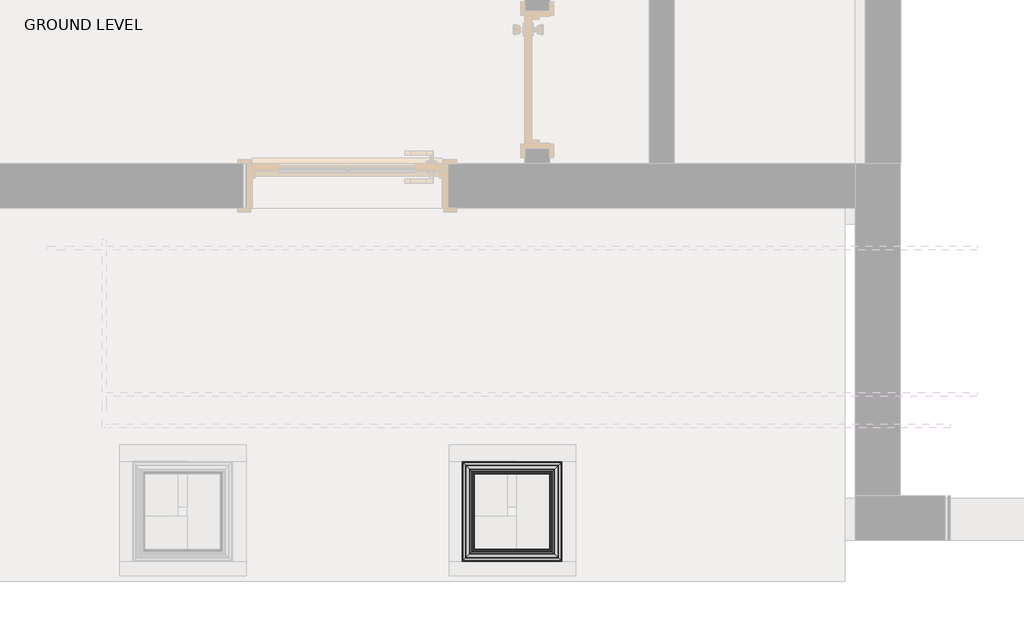
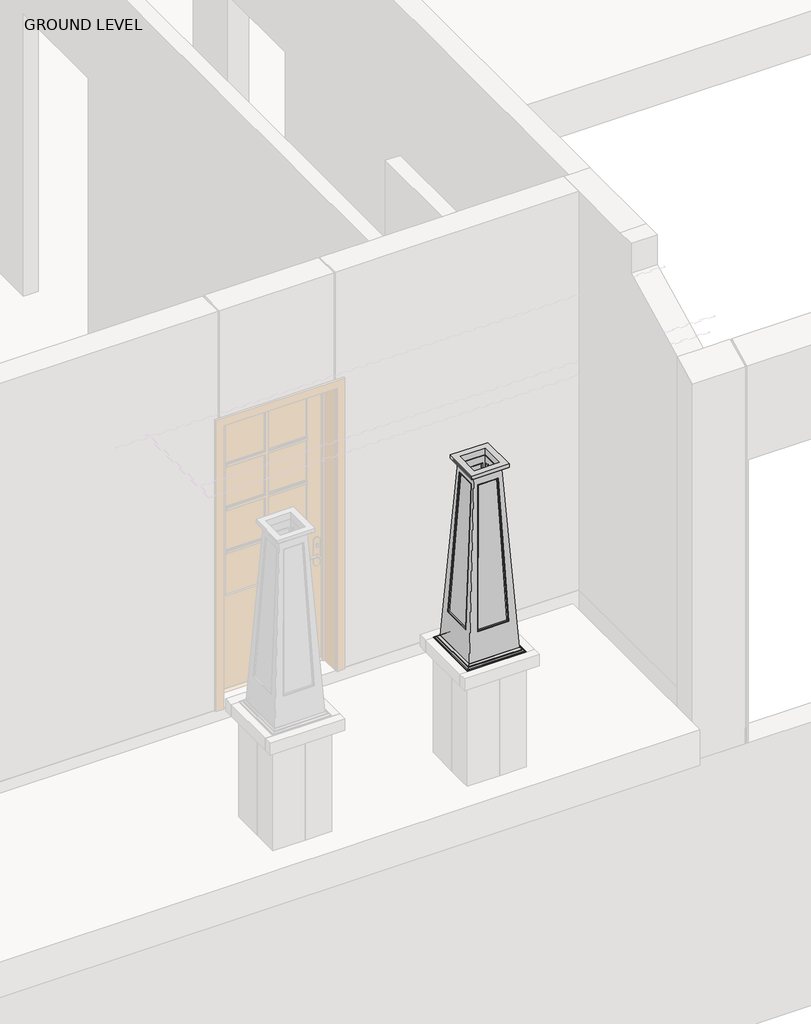
# One storey, part 6 of 7: 1 column.
"""IFC4 building model written with IfcOpenShell, lengths in millimetres."""

from ifc_helpers import new_model, si_unit, frame, origin, place, context, project, spatial, polyline, ellipse_curve, faceted_brep, element, save
from ifc_brep_helpers import plane_surface, cylinder_surface, revolved_surface, advanced_brep

model = new_model("IFC4")

# Units and contexts
model_context = context("Model", 3, world=origin())
ifc_project = project(units=[si_unit("LENGTHUNIT", "METRE", prefix="MILLI")], contexts=[model_context])

# Site, building, storey
site = spatial("IfcSite", under=ifc_project)
building = spatial("IfcBuilding", under=site)
storey = spatial("IfcBuildingStorey", under=building, Name="GROUND LEVEL", Elevation=0.0)

# Column
placement = place(None, origin())
element("IfcColumn", 1, at=placement, inside=storey, context=model_context, shape_type="SolidModel", body=[
    advanced_brep(
    [(4760.3397599, -6584.8408634, 994.2259064), (4279.3272599, -6584.8408634, 994.2259064), (4279.3272599, -6584.8408634, 990.6), (4542.8522599, -6584.8408634, 990.6), (4760.3397599, -6584.8408634, 990.6), (4755.5021304, -6580.0032339, 999.3180729), (4284.1648894, -6580.0032339, 999.3180729), (4284.1648894, -6580.0032339, 994.2259064), (4755.5021304, -6580.0032339, 994.2259064), (4744.8083993, -6569.3095028, 1007.7203226), (4294.8586205, -6569.3095028, 1007.7203226), (4739.716168, -6564.2172714, 1010.55953), (4299.9508518, -6564.2172714, 1010.55953), (4299.9508518, -6564.2172714, 1007.7203226), (4739.716168, -6564.2172714, 1007.7203226), (4726.7309231, -6551.2320265, 1020.960137), (4312.9360968, -6551.2320265, 1020.960137), (4279.3272599, -6103.8283634, 994.2259064), (4279.3272599, -6103.8283634, 990.6), (4279.3272599, -6367.3533634, 990.6), (4284.1648894, -6108.6659928, 999.3180729), (4284.1648894, -6108.6659928, 994.2259064), (4294.8586205, -6119.359724, 1007.7203226), (4299.9508518, -6124.4519553, 1010.55953), (4299.9508518, -6124.4519553, 1007.7203226), (4312.9360968, -6137.4372002, 1020.960137), (4760.3397599, -6103.8283634, 994.2259064), (4760.3397599, -6103.8283634, 990.6), (4542.8522599, -6103.8283634, 990.6), (4496.8147599, -6103.8283634, 990.6), (4755.5021304, -6108.6659928, 999.3180729), (4755.5021304, -6108.6659928, 994.2259064), (4744.8083993, -6119.359724, 1007.7203226), (4739.716168, -6124.4519553, 1010.55953), (4739.716168, -6124.4519553, 1007.7203226), (4726.7309231, -6137.4372002, 1020.960137), (4329.3335099, -6534.8346134, 1020.960137), (4710.3335099, -6534.8346134, 1020.960137), (4710.3335099, -6534.8346134, 990.6), (4542.8522599, -6534.8346134, 990.6), (4329.3335099, -6534.8346134, 990.6), (4329.3335099, -6153.8346134, 1020.960137), (4329.3335099, -6367.3533634, 990.6), (4329.3335099, -6153.8346134, 990.6), (4710.3335099, -6153.8346134, 1020.960137), (4496.8147599, -6153.8346134, 990.6), (4542.8522599, -6153.8346134, 990.6), (4710.3335099, -6153.8346134, 990.6)],
    [
        (0, 1),
        (1, 2),
        (2, 3),
        (3, 4),
        (4, 0),
        (5, 6),
        (6, 7),
        (7, 8),
        (8, 5),
        (5, 9, ellipse_curve(frame((4756.351447, -6580.8525504, 1011.4052173), z_axis=(0.7071067811865475, 0.7071067811865475, 0.0), x_axis=(-0.7071067811865476, 0.7071067811865474, 0.0)), 17.1359504, 12.1169467)),
        (9, 10),
        (10, 6, ellipse_curve(frame((4283.3155729, -6580.8525504, 1011.4052173), z_axis=(-0.7071067811865475, 0.7071067811865475, 0.0), x_axis=(-0.7071067811865476, -0.7071067811865474, 0.0)), 17.1359504, 12.1169467)),
        (11, 12),
        (12, 13),
        (13, 14),
        (14, 11),
        (11, 15, ellipse_curve(frame((4721.5591395, -6546.060243, 1001.196725), z_axis=(-0.7071067811865475, -0.7071067811865475, 0.0), x_axis=(0.7071067811865476, -0.7071067811865474, 0.0)), 28.8908221, 20.4288962)),
        (15, 16),
        (16, 12, ellipse_curve(frame((4318.1078803, -6546.060243, 1001.196725), z_axis=(0.7071067811865475, -0.7071067811865475, 0.0), x_axis=(0.7071067811865476, 0.7071067811865474, 0.0)), 28.8908221, 20.4288962)),
        (1, 17),
        (17, 18),
        (18, 19),
        (19, 2),
        (6, 20),
        (20, 21),
        (21, 7),
        (10, 22),
        (22, 20, ellipse_curve(frame((4283.3155729, -6107.8166763, 1011.4052173), z_axis=(0.7071067811865475, 0.7071067811865475, 0.0), x_axis=(-0.7071067811865474, 0.7071067811865476, 0.0)), 17.1359504, 12.1169467)),
        (12, 23),
        (23, 24),
        (24, 13),
        (16, 25),
        (25, 23, ellipse_curve(frame((4318.1078803, -6142.6089838, 1001.196725), z_axis=(-0.7071067811865475, -0.7071067811865475, 0.0), x_axis=(0.7071067811865474, -0.7071067811865476, 0.0)), 28.8908221, 20.4288962)),
        (17, 26),
        (26, 27),
        (27, 28),
        (28, 29),
        (29, 18),
        (20, 30),
        (30, 31),
        (31, 21),
        (22, 32),
        (32, 30, ellipse_curve(frame((4756.351447, -6107.8166763, 1011.4052173), z_axis=(0.7071067811865475, -0.7071067811865475, 0.0), x_axis=(0.7071067811865476, 0.7071067811865474, 0.0)), 17.1359504, 12.1169467)),
        (23, 33),
        (33, 34),
        (34, 24),
        (25, 35),
        (35, 33, ellipse_curve(frame((4721.5591395, -6142.6089838, 1001.196725), z_axis=(-0.7071067811865475, 0.7071067811865475, 0.0), x_axis=(-0.7071067811865476, -0.7071067811865474, 0.0)), 28.8908221, 20.4288962)),
        (26, 0),
        (4, 27),
        (31, 8),
        (30, 5),
        (32, 9),
        (34, 14),
        (33, 11),
        (35, 15),
        (36, 37),
        (37, 38),
        (38, 39),
        (39, 40),
        (40, 36),
        (41, 36),
        (40, 42),
        (42, 43),
        (43, 41),
        (44, 41),
        (43, 45),
        (45, 46),
        (46, 47),
        (47, 44),
        (44, 37),
        (47, 38),
        (3, 39),
        (46, 28),
        (19, 42),
        (29, 45),
    ],
    [
        plane_surface(frame((4760.3397599, -6584.8408634, 965.2), z_axis=(0.0, -1.0, 0.0), x_axis=(-1.0, 0.0, 0.0))),
        plane_surface(frame((4755.5021304, -6580.0032339, 994.2259064), z_axis=(0.0, -1.0, 0.0), x_axis=(-1.0, 0.0, 0.0))),
        revolved_surface(polyline([(4271.198626170084, -6568.7356037, 1011.4052173), (4768.468393729916, -6568.7356037, 1011.4052173)]), (4726.7309231, -6580.8525504, 1011.4052173), (-1.0, 0.0, 0.0)),
        plane_surface(frame((4739.716168, -6564.2172714, 1007.7203226), z_axis=(0.0, -1.0, 0.0), x_axis=(-1.0, 0.0, 0.0))),
        cylinder_surface(frame((4726.7309231, -6546.060243, 1001.196725), z_axis=(1.0, 0.0, 0.0), x_axis=(0.0, 1.0, 0.0)), 20.4288962),
        plane_surface(frame((4279.3272599, -6584.8408634, 965.2), z_axis=(-1.0, 0.0, 0.0), x_axis=(0.0, 1.0, 0.0))),
        plane_surface(frame((4284.1648894, -6580.0032339, 994.2259064), z_axis=(-1.0, 0.0, 0.0), x_axis=(0.0, 1.0, 0.0))),
        revolved_surface(polyline([(4295.4325196, -6095.699729570084, 1011.4052173), (4295.4325196, -6592.969497129916, 1011.4052173)]), (4283.3155729, -6551.2320265, 1011.4052173), (0.0, 1.0, 0.0)),
        plane_surface(frame((4299.9508518, -6564.2172714, 1007.7203226), z_axis=(-1.0, 0.0, 0.0), x_axis=(0.0, 1.0, 0.0))),
        cylinder_surface(frame((4318.1078803, -6551.2320265, 1001.196725), z_axis=(0.0, -1.0, 0.0), x_axis=(1.0, 0.0, 0.0)), 20.4288962),
        plane_surface(frame((4279.3272599, -6103.8283634, 965.2), z_axis=(0.0, 1.0, 0.0), x_axis=(1.0, 0.0, 0.0))),
        plane_surface(frame((4284.1648894, -6108.6659928, 994.2259064), z_axis=(0.0, 1.0, 0.0), x_axis=(1.0, 0.0, 0.0))),
        revolved_surface(polyline([(4768.468393729916, -6119.933623, 1011.4052173), (4271.198626170084, -6119.933623, 1011.4052173)]), (4312.9360968, -6107.8166763, 1011.4052173), (1.0, 0.0, 0.0)),
        plane_surface(frame((4299.9508518, -6124.4519553, 1007.7203226), z_axis=(0.0, 1.0, 0.0), x_axis=(1.0, 0.0, 0.0))),
        cylinder_surface(frame((4312.9360968, -6142.6089838, 1001.196725), z_axis=(-1.0, 0.0, 0.0), x_axis=(0.0, -1.0, 0.0)), 20.4288962),
        plane_surface(frame((4760.3397599, -6103.8283634, 965.2), z_axis=(1.0, 0.0, 0.0), x_axis=(0.0, -1.0, 0.0))),
        plane_surface(frame((4760.3397599, -6103.8283634, 994.2259064), z_axis=(0.0, 0.0, 1.0), x_axis=(0.0, -1.0, 0.0))),
        plane_surface(frame((4755.5021304, -6108.6659928, 994.2259064), z_axis=(1.0, 0.0, 0.0), x_axis=(0.0, -1.0, 0.0))),
        revolved_surface(polyline([(4744.2345003, -6592.969497129916, 1011.4052173), (4744.2345003, -6095.699729570084, 1011.4052173)]), (4756.351447, -6137.4372002, 1011.4052173), (0.0, -1.0, 0.0)),
        plane_surface(frame((4744.8083993, -6119.359724, 1007.7203226), z_axis=(0.0, 0.0, 1.0), x_axis=(0.0, -1.0, 0.0))),
        plane_surface(frame((4739.716168, -6124.4519553, 1007.7203226), z_axis=(1.0, 0.0, 0.0), x_axis=(0.0, -1.0, 0.0))),
        cylinder_surface(frame((4721.5591395, -6137.4372002, 1001.196725), z_axis=(0.0, 1.0, 0.0), x_axis=(-1.0, 0.0, 0.0)), 20.4288962),
        plane_surface(frame((4710.3335099, -6534.8346134, 1020.960137), z_axis=(0.0, 1.0, 0.0), x_axis=(-1.0, 0.0, 0.0))),
        plane_surface(frame((4329.3335099, -6534.8346134, 1020.960137), z_axis=(1.0, 0.0, 0.0), x_axis=(0.0, 1.0, 0.0))),
        plane_surface(frame((4329.3335099, -6153.8346134, 1020.960137), z_axis=(0.0, -1.0, 0.0), x_axis=(1.0, 0.0, 0.0))),
        plane_surface(frame((4726.7309231, -6137.4372002, 1020.960137), z_axis=(0.0, 0.0, 1.0), x_axis=(0.0, -1.0, 0.0))),
        plane_surface(frame((4710.3335099, -6153.8346134, 1020.960137), z_axis=(-1.0, 0.0, 0.0), x_axis=(0.0, -1.0, 0.0))),
        plane_surface(frame((4542.8522599, -6476.0971134, 990.6), z_axis=(0.0, 0.0, -1.0), x_axis=(1.0, 0.0, 0.0))),
        plane_surface(frame((4388.0710099, -6367.3533634, 990.6), z_axis=(0.0, 0.0, -1.0), x_axis=(0.0, -1.0, 0.0))),
        plane_surface(frame((4496.8147599, -6211.3440959, 990.6), z_axis=(0.0, 0.0, -1.0), x_axis=(-1.0, 0.0, 0.0))),
        plane_surface(frame((4651.2371216, -6320.9569731, 990.6), z_axis=(0.0, 0.0, -1.0), x_axis=(0.0033003120592097804, 0.9999945539553262, 0.0))),
    ],
    [
        (0, [[1, 2, 3, 4, 5]]),
        (1, [[6, 7, 8, 9]]),
        (2, [[-6, 10, 11, 12]]),
        (3, [[13, 14, 15, 16]]),
        (4, [[-13, 17, 18, 19]]),
        (5, [[20, 21, 22, 23, -2]]),
        (6, [[-7, 24, 25, 26]]),
        (7, [[-12, 27, 28, -24]]),
        (8, [[-14, 29, 30, 31]]),
        (9, [[-19, 32, 33, -29]]),
        (10, [[34, 35, 36, 37, 38, -21]]),
        (11, [[-25, 39, 40, 41]]),
        (12, [[-28, 42, 43, -39]]),
        (13, [[-30, 44, 45, 46]]),
        (14, [[-33, 47, 48, -44]]),
        (15, [[49, -5, 50, -35]]),
        (16, [[-1, -49, -34, -20], [-8, -26, -41, 51]]),
        (17, [[-9, -51, -40, 52]]),
        (18, [[-10, -52, -43, 53]]),
        (19, [[-11, -53, -42, -27], [-15, -31, -46, 54]]),
        (20, [[-16, -54, -45, 55]]),
        (21, [[-17, -55, -48, 56]]),
        (22, [[57, 58, 59, 60, 61]]),
        (23, [[62, -61, 63, 64, 65]]),
        (24, [[66, -65, 67, 68, 69, 70]]),
        (25, [[-18, -56, -47, -32], [-57, -62, -66, 71]]),
        (26, [[-71, -70, 72, -58]]),
        (27, [[-4, 73, -59, -72, -69, 74, -36, -50]]),
        (28, [[-3, -23, 75, -63, -60, -73]]),
        (29, [[-22, -38, 76, -67, -64, -75]]),
        (30, [[-37, -74, -68, -76]]),
    ],
),
    advanced_brep(
    [(4650.816168, -6475.3172714, 2545.44047), (4388.8508518, -6475.3172714, 2545.44047), (4401.8360968, -6462.3320265, 2535.039863), (4637.8309231, -6462.3320265, 2535.039863), (4650.816168, -6475.3172714, 2548.2796774), (4388.8508518, -6475.3172714, 2548.2796774), (4666.6021304, -6491.1032339, 2556.6819271), (4373.0648894, -6491.1032339, 2556.6819271), (4383.7586205, -6480.4095028, 2548.2796774), (4655.9083993, -6480.4095028, 2548.2796774), (4666.6021304, -6491.1032339, 2561.7740936), (4373.0648894, -6491.1032339, 2561.7740936), (4671.4397599, -6495.9408634, 2590.8), (4368.2272599, -6495.9408634, 2590.8), (4368.2272599, -6495.9408634, 2561.7740936), (4671.4397599, -6495.9408634, 2561.7740936), (4388.8508518, -6213.3519553, 2545.44047), (4401.8360968, -6226.3372002, 2535.039863), (4388.8508518, -6213.3519553, 2548.2796774), (4373.0648894, -6197.5659928, 2556.6819271), (4383.7586205, -6208.259724, 2548.2796774), (4373.0648894, -6197.5659928, 2561.7740936), (4368.2272599, -6192.7283634, 2590.8), (4368.2272599, -6192.7283634, 2561.7740936), (4650.816168, -6213.3519553, 2545.44047), (4637.8309231, -6226.3372002, 2535.039863), (4650.816168, -6213.3519553, 2548.2796774), (4666.6021304, -6197.5659928, 2556.6819271), (4655.9083993, -6208.259724, 2548.2796774), (4666.6021304, -6197.5659928, 2561.7740936), (4671.4397599, -6192.7283634, 2590.8), (4671.4397599, -6192.7283634, 2561.7740936), (4621.6881475, -6446.1892509, 2590.8), (4417.9788724, -6446.1892509, 2590.8), (4417.9788724, -6242.4799758, 2590.8), (4621.6881475, -6242.4799758, 2590.8), (4621.6881475, -6446.1892509, 2535.039863), (4417.9788724, -6446.1892509, 2535.039863), (4417.9788724, -6242.4799758, 2535.039863), (4621.6881475, -6242.4799758, 2535.039863)],
    [
        (0, 1),
        (1, 2, ellipse_curve(frame((4410.1828803, -6453.985243, 2558.767289), z_axis=(0.7071067811865475, -0.7071067811865475, 0.0), x_axis=(0.7071067811865476, 0.7071067811865474, 0.0)), 35.5713239, 25.1527244)),
        (2, 3),
        (3, 0, ellipse_curve(frame((4629.4841395, -6453.985243, 2558.767289), z_axis=(-0.7071067811865475, -0.7071067811865475, 0.0), x_axis=(0.7071067811865476, -0.7071067811865474, 0.0)), 35.5713239, 25.1527244)),
        (4, 5),
        (5, 1),
        (0, 4),
        (6, 7),
        (7, 8, ellipse_curve(frame((4372.2155729, -6491.9525504, 2544.5947827), z_axis=(-0.7071067811865475, 0.7071067811865475, 0.0), x_axis=(-0.7071067811865476, -0.7071067811865474, 0.0)), 17.1359504, 12.1169467)),
        (8, 9),
        (9, 6, ellipse_curve(frame((4667.451447, -6491.9525504, 2544.5947827), z_axis=(0.7071067811865475, 0.7071067811865475, 0.0), x_axis=(-0.7071067811865476, 0.7071067811865474, 0.0)), 17.1359504, 12.1169467)),
        (10, 11),
        (11, 7),
        (6, 10),
        (12, 13),
        (13, 14),
        (14, 15),
        (15, 12),
        (1, 16),
        (16, 17, ellipse_curve(frame((4410.1828803, -6234.6839838, 2558.767289), z_axis=(-0.7071067811865475, -0.7071067811865475, 0.0), x_axis=(0.7071067811865474, -0.7071067811865476, 0.0)), 35.5713239, 25.1527244)),
        (17, 2),
        (5, 18),
        (18, 16),
        (7, 19),
        (19, 20, ellipse_curve(frame((4372.2155729, -6196.7166763, 2544.5947827), z_axis=(0.7071067811865475, 0.7071067811865475, 0.0), x_axis=(-0.7071067811865474, 0.7071067811865476, 0.0)), 17.1359504, 12.1169467)),
        (20, 8),
        (11, 21),
        (21, 19),
        (13, 22),
        (22, 23),
        (23, 14),
        (16, 24),
        (24, 25, ellipse_curve(frame((4629.4841395, -6234.6839838, 2558.767289), z_axis=(-0.7071067811865475, 0.7071067811865475, 0.0), x_axis=(-0.7071067811865476, -0.7071067811865474, 0.0)), 35.5713239, 25.1527244)),
        (25, 17),
        (18, 26),
        (26, 24),
        (19, 27),
        (27, 28, ellipse_curve(frame((4667.451447, -6196.7166763, 2544.5947827), z_axis=(0.7071067811865475, -0.7071067811865475, 0.0), x_axis=(0.7071067811865476, 0.7071067811865474, 0.0)), 17.1359504, 12.1169467)),
        (28, 20),
        (21, 29),
        (29, 27),
        (22, 30),
        (30, 31),
        (31, 23),
        (24, 0),
        (3, 25),
        (26, 4),
        (28, 9),
        (27, 6),
        (29, 10),
        (31, 15),
        (30, 12),
        (32, 33),
        (33, 34),
        (34, 35),
        (35, 32),
        (36, 37),
        (37, 33),
        (32, 36),
        (37, 38),
        (38, 34),
        (38, 39),
        (39, 35),
        (39, 36),
    ],
    [
        cylinder_surface(frame((4637.8309231, -6453.985243, 2558.767289), z_axis=(1.0, 0.0, 0.0), x_axis=(0.0, 1.0, 0.0)), 25.1527244),
        plane_surface(frame((4650.816168, -6475.3172714, 2545.44047), z_axis=(0.0, -1.0, 0.0), x_axis=(-1.0, 0.0, 0.0))),
        revolved_surface(polyline([(4360.098626170084, -6479.8356037, 2544.5947827), (4679.568393729916, -6479.8356037, 2544.5947827)]), (4637.8309231, -6491.9525504, 2544.5947827), (-1.0, 0.0, 0.0)),
        plane_surface(frame((4666.6021304, -6491.1032339, 2556.6819271), z_axis=(0.0, -1.0, 0.0), x_axis=(-1.0, 0.0, 0.0))),
        plane_surface(frame((4671.4397599, -6495.9408634, 2561.7740936), z_axis=(0.0, -1.0, 0.0), x_axis=(-1.0, 0.0, 0.0))),
        cylinder_surface(frame((4410.1828803, -6462.3320265, 2558.767289), z_axis=(0.0, -1.0, 0.0), x_axis=(1.0, 0.0, 0.0)), 25.1527244),
        plane_surface(frame((4388.8508518, -6475.3172714, 2545.44047), z_axis=(-1.0, 0.0, 0.0), x_axis=(0.0, 1.0, 0.0))),
        revolved_surface(polyline([(4384.3325196, -6184.599729570084, 2544.5947827), (4384.3325196, -6504.069497129916, 2544.5947827)]), (4372.2155729, -6462.3320265, 2544.5947827), (0.0, 1.0, 0.0)),
        plane_surface(frame((4373.0648894, -6491.1032339, 2556.6819271), z_axis=(-1.0, 0.0, 0.0), x_axis=(0.0, 1.0, 0.0))),
        plane_surface(frame((4368.2272599, -6495.9408634, 2561.7740936), z_axis=(-1.0, 0.0, 0.0), x_axis=(0.0, 1.0, 0.0))),
        cylinder_surface(frame((4401.8360968, -6234.6839838, 2558.767289), z_axis=(-1.0, 0.0, 0.0), x_axis=(0.0, -1.0, 0.0)), 25.1527244),
        plane_surface(frame((4388.8508518, -6213.3519553, 2545.44047), z_axis=(0.0, 1.0, 0.0), x_axis=(1.0, 0.0, 0.0))),
        revolved_surface(polyline([(4679.568393729916, -6208.8336229999995, 2544.5947827), (4360.098626170084, -6208.8336229999995, 2544.5947827)]), (4401.8360968, -6196.7166763, 2544.5947827), (1.0, 0.0, 0.0)),
        plane_surface(frame((4373.0648894, -6197.5659928, 2556.6819271), z_axis=(0.0, 1.0, 0.0), x_axis=(1.0, 0.0, 0.0))),
        plane_surface(frame((4368.2272599, -6192.7283634, 2561.7740936), z_axis=(0.0, 1.0, 0.0), x_axis=(1.0, 0.0, 0.0))),
        cylinder_surface(frame((4629.4841395, -6226.3372002, 2558.767289), z_axis=(0.0, 1.0, 0.0), x_axis=(-1.0, 0.0, 0.0)), 25.1527244),
        plane_surface(frame((4650.816168, -6213.3519553, 2545.44047), z_axis=(1.0, 0.0, 0.0), x_axis=(0.0, -1.0, 0.0))),
        plane_surface(frame((4650.816168, -6213.3519553, 2548.2796774), z_axis=(0.0, 0.0, -1.0), x_axis=(0.0, -1.0, 0.0))),
        revolved_surface(polyline([(4655.3345003, -6504.069497129916, 2544.5947827), (4655.3345003, -6184.599729570084, 2544.5947827)]), (4667.451447, -6226.3372002, 2544.5947827), (0.0, -1.0, 0.0)),
        plane_surface(frame((4666.6021304, -6197.5659928, 2556.6819271), z_axis=(1.0, 0.0, 0.0), x_axis=(0.0, -1.0, 0.0))),
        plane_surface(frame((4666.6021304, -6197.5659928, 2561.7740936), z_axis=(0.0, 0.0, -1.0), x_axis=(0.0, -1.0, 0.0))),
        plane_surface(frame((4671.4397599, -6192.7283634, 2561.7740936), z_axis=(1.0, 0.0, 0.0), x_axis=(0.0, -1.0, 0.0))),
        plane_surface(frame((4671.4397599, -6192.7283634, 2590.8), z_axis=(0.0, 0.0, 1.0), x_axis=(0.0, -1.0, 0.0))),
        plane_surface(frame((4621.6881475, -6446.1892509, 2590.8), z_axis=(0.0, 1.0, 0.0), x_axis=(-1.0, 0.0, 0.0))),
        plane_surface(frame((4417.9788724, -6446.1892509, 2590.8), z_axis=(1.0, 0.0, 0.0), x_axis=(0.0, 1.0, 0.0))),
        plane_surface(frame((4417.9788724, -6242.4799758, 2590.8), z_axis=(0.0, -1.0, 0.0), x_axis=(1.0, 0.0, 0.0))),
        plane_surface(frame((4621.6881475, -6242.4799758, 2590.8), z_axis=(-1.0, 0.0, 0.0), x_axis=(0.0, -1.0, 0.0))),
        plane_surface(frame((4621.6881475, -6242.4799758, 2535.039863), z_axis=(0.0, 0.0, -1.0), x_axis=(0.0, -1.0, 0.0))),
    ],
    [
        (0, [[1, 2, 3, 4]]),
        (1, [[5, 6, -1, 7]]),
        (2, [[8, 9, 10, 11]]),
        (3, [[12, 13, -8, 14]]),
        (4, [[15, 16, 17, 18]]),
        (5, [[19, 20, 21, -2]]),
        (6, [[22, 23, -19, -6]]),
        (7, [[24, 25, 26, -9]]),
        (8, [[27, 28, -24, -13]]),
        (9, [[29, 30, 31, -16]]),
        (10, [[32, 33, 34, -20]]),
        (11, [[35, 36, -32, -23]]),
        (12, [[37, 38, 39, -25]]),
        (13, [[40, 41, -37, -28]]),
        (14, [[42, 43, 44, -30]]),
        (15, [[45, -4, 46, -33]]),
        (16, [[47, -7, -45, -36]]),
        (17, [[-10, -26, -39, 48], [-5, -47, -35, -22]]),
        (18, [[49, -11, -48, -38]]),
        (19, [[50, -14, -49, -41]]),
        (20, [[-17, -31, -44, 51], [-12, -50, -40, -27]]),
        (21, [[52, -18, -51, -43]]),
        (22, [[-15, -52, -42, -29], [53, 54, 55, 56]]),
        (23, [[57, 58, -53, 59]]),
        (24, [[60, 61, -54, -58]]),
        (25, [[62, 63, -55, -61]]),
        (26, [[64, -59, -56, -63]]),
        (27, [[-3, -21, -34, -46], [-57, -64, -62, -60]]),
    ],
),
    faceted_brep([(4405.5335099, -6230.0346134, 2535.2375), (4405.5335099, -6458.6346134, 2535.2375), (4634.1335099, -6458.6346134, 2535.2375), (4634.1335099, -6230.0346134, 2535.2375), (4616.6710099, -6247.4971134, 2535.2375), (4616.6710099, -6441.1721134, 2535.2375), (4422.9960099, -6441.1721134, 2535.2375), (4422.9960099, -6247.4971134, 2535.2375), (4316.6335099, -6141.1346134, 1020.7625), (4723.0335099, -6141.1346134, 1020.7625), (4723.0335099, -6547.5346134, 1020.7625), (4316.6335099, -6547.5346134, 1020.7625), (4329.3335099, -6153.8346134, 1020.7625), (4329.3335099, -6534.8346134, 1020.7625), (4710.3335099, -6534.8346134, 1020.7625), (4710.3335099, -6153.8346134, 1020.7625), (4392.8335099, -6155.3921605, 1263.65), (4646.8335099, -6155.3921605, 1263.65), (4602.3835099, -6226.2139635, 2470.15), (4437.2835099, -6226.2139635, 2470.15), (4708.7759627, -6217.3346134, 1263.65), (4708.7759627, -6471.3346134, 1263.65), (4637.9541598, -6426.8846134, 2470.15), (4637.9541598, -6261.7846134, 2470.15), (4437.2835099, -6462.4552633, 2470.15), (4602.3835099, -6462.4552633, 2470.15), (4646.8335099, -6533.2770662, 1263.65), (4392.8335099, -6533.2770662, 1263.65), (4401.71286, -6261.7846134, 2470.15), (4401.71286, -6426.8846134, 2470.15), (4330.8910571, -6471.3346134, 1263.65), (4330.8910571, -6217.3346134, 1263.65), (4437.2835099, -6243.4717858, 2470.15), (4602.3835099, -6243.4717858, 2470.15), (4646.8335099, -6168.8559577, 1263.65), (4392.8335099, -6168.8559577, 1263.65), (4620.6963375, -6261.7846134, 2470.15), (4620.6963375, -6426.8846134, 2470.15), (4695.3121656, -6471.3346134, 1263.65), (4695.3121656, -6217.3346134, 1263.65), (4392.8335099, -6519.813269, 1263.65), (4646.8335099, -6519.813269, 1263.65), (4602.3835099, -6445.1974409, 2470.15), (4437.2835099, -6445.1974409, 2470.15), (4344.3548543, -6217.3346134, 1263.65), (4344.3548543, -6471.3346134, 1263.65), (4418.9706824, -6426.8846134, 2470.15), (4418.9706824, -6261.7846134, 2470.15)], [[[0, 1, 2, 3], [4, 5, 6, 7]], [[8, 9, 10, 11], [12, 13, 14, 15]], [[3, 9, 8, 0], [16, 17, 18, 19]], [[2, 10, 9, 3], [20, 21, 22, 23]], [[1, 11, 10, 2], [24, 25, 26, 27]], [[0, 8, 11, 1], [28, 29, 30, 31]], [[12, 15, 4, 7], [32, 33, 34, 35]], [[15, 14, 5, 4], [36, 37, 38, 39]], [[14, 13, 6, 5], [40, 41, 42, 43]], [[7, 6, 13, 12], [44, 45, 46, 47]], [[16, 19, 32, 35]], [[40, 43, 24, 27]], [[19, 18, 33, 32]], [[43, 42, 25, 24]], [[18, 17, 34, 33]], [[42, 41, 26, 25]], [[27, 26, 41, 40]], [[35, 34, 17, 16]], [[20, 23, 36, 39]], [[44, 47, 28, 31]], [[23, 22, 37, 36]], [[47, 46, 29, 28]], [[22, 21, 38, 37]], [[46, 45, 30, 29]], [[31, 30, 45, 44]], [[39, 38, 21, 20]]]),
    advanced_brep(
    [(4437.2835099, -6462.4552633, 2470.15), (4392.8335099, -6533.2770662, 1263.65), (4396.2894178, -6527.6850455, 1266.6586217), (4440.4943871, -6457.2536478, 2466.5077896), (4436.6228372, -6450.7585757, 2470.15), (4392.1224195, -6521.6607088, 1262.2815194), (4446.3773453, -6450.7585757, 2460.0127176), (4402.6213203, -6520.4746743, 1272.3491813), (4646.8335099, -6533.2770662, 1263.65), (4643.3776021, -6527.6850455, 1266.6586217), (4647.5446003, -6521.6607088, 1262.2815194), (4637.0456995, -6520.4746743, 1272.3491813), (4602.3835099, -6462.4552633, 2470.15), (4599.1726327, -6457.2536478, 2466.5077896), (4603.0441826, -6450.7585757, 2470.15), (4593.2896745, -6450.7585757, 2460.0127176)],
    [
        (0, 1),
        (1, 2, ellipse_curve(frame((4390.2792125, -6528.1839247, 1260.884713), z_axis=(-0.6939906536190235, 0.04219058639505978, 0.718746775372997), x_axis=(0.7199840086345254, 0.04066739299447456, 0.6927980877987413)), 8.3508629, 5.7954208)),
        (2, 3),
        (3, 0, ellipse_curve(frame((4434.9103172, -6457.0735692, 2472.300412), z_axis=(-0.7199840086345254, -0.04066739299447458, -0.6927980877987413), x_axis=(-0.6939906536190235, 0.04219058639505976, 0.718746775372997)), 8.0493743, 5.7954208)),
        (4, 5),
        (5, 1),
        (0, 4),
        (6, 7),
        (7, 5),
        (4, 6),
        (2, 7, ellipse_curve(frame((4395.8945553, -6521.2345801, 1265.8987159), z_axis=(-0.6939906536190235, 0.04219058639505978, 0.718746775372997), x_axis=(0.7199840086345254, 0.04066739299447456, 0.6927980877987413)), 9.3590195, 6.495072)),
        (6, 3, ellipse_curve(frame((4440.1275211, -6450.7585757, 2466.5077896), z_axis=(-0.7199840086345254, -0.04066739299447458, -0.6927980877987413), x_axis=(-0.6939906536190235, 0.04219058639505976, 0.718746775372997)), 9.0211338, 6.495072)),
        (1, 8),
        (8, 9, ellipse_curve(frame((4649.3878073, -6528.1839247, 1260.884713), z_axis=(-0.693990653619024, -0.04219058639505973, -0.7187467753729965), x_axis=(-0.719984008634525, 0.04066739299447458, 0.6927980877987417)), 8.3508629, 5.7954208)),
        (9, 2),
        (5, 10),
        (10, 8),
        (7, 11),
        (11, 10),
        (9, 11, ellipse_curve(frame((4643.7724646, -6521.2345801, 1265.8987159), z_axis=(-0.693990653619024, -0.04219058639505973, -0.7187467753729965), x_axis=(-0.719984008634525, 0.04066739299447458, 0.6927980877987417)), 9.3590195, 6.495072)),
        (8, 12),
        (12, 13, ellipse_curve(frame((4604.7567026, -6457.0735692, 2472.300412), z_axis=(0.7199840086345248, -0.040667392994474576, -0.6927980877987419), x_axis=(-0.693990653619024, -0.04219058639505975, -0.7187467753729965)), 8.0493743, 5.7954208)),
        (13, 9),
        (10, 14),
        (14, 12),
        (11, 15),
        (15, 14),
        (13, 15, ellipse_curve(frame((4599.5394987, -6450.7585757, 2466.5077896), z_axis=(0.7199840086345248, -0.040667392994474576, -0.6927980877987419), x_axis=(-0.693990653619024, -0.04219058639505975, -0.7187467753729965)), 9.0211338, 6.495072)),
        (12, 0),
        (3, 13),
        (14, 4),
        (15, 6),
    ],
    [
        cylinder_surface(frame((4434.823093, -6457.2125428, 2469.9328981), z_axis=(0.03675394537888055, 0.058559745257754856, 0.9976070888553438), x_axis=(0.0585597452577686, -0.9966923262940653, 0.0563485842046633)), 5.7954208),
        plane_surface(frame((4437.2835099, -6462.4552633, 2470.15), z_axis=(-0.9976070888553422, -0.056348584204686976, 0.04006161908481538), x_axis=(-0.036753945378879986, -0.05855974525775485, -0.9976070888553435))),
        plane_surface(frame((4436.6228372, -6450.7585757, 2470.15), z_axis=(-0.05855974525776811, 0.9966923262940651, -0.05634858420466335), x_axis=(-0.036753945378880035, -0.05855974525775485, -0.9976070888553434))),
        cylinder_surface(frame((4440.2320498, -6450.5920312, 2469.3449954), z_axis=(0.03675394537888055, 0.058559745257754856, 0.9976070888553438), x_axis=(0.0585597452577686, -0.9966923262940653, 0.0563485842046633)), 6.495072),
        cylinder_surface(frame((4392.8335099, -6528.1839247, 1260.884713), z_axis=(-1.0000000000000002, 0.0, 0.0), x_axis=(0.0, -0.9931322351333464, 0.11699728004976763)), 5.7954208),
        plane_surface(frame((4392.8335099, -6533.2770662, 1263.65), z_axis=(0.0, -0.11699728004977694, -0.9931322351333453), x_axis=(1.0, 0.0, 0.0))),
        plane_surface(frame((4392.1224195, -6521.6607088, 1262.2815194), z_axis=(0.0, 0.9931322351333464, -0.1169972800497671), x_axis=(1.0, 0.0, 0.0))),
        cylinder_surface(frame((4392.8335099, -6521.2345801, 1265.8987159), z_axis=(-1.0000000000000002, 0.0, 0.0), x_axis=(0.0, -0.9931322351333464, 0.11699728004976763)), 6.495072),
        cylinder_surface(frame((4649.2939268, -6528.0343457, 1263.4328981), z_axis=(0.03675394537887974, -0.05855974525775483, -0.9976070888553435), x_axis=(-0.058559745257768615, -0.9966923262940652, 0.05634858420466332)), 5.7954208),
        plane_surface(frame((4646.8335099, -6533.2770662, 1263.65), z_axis=(0.9976070888553423, -0.05634858420468698, 0.04006161908481544), x_axis=(-0.03675394537888004, 0.05855974525775484, 0.9976070888553435))),
        plane_surface(frame((4647.5446003, -6521.6607088, 1262.2815194), z_axis=(0.058559745257768074, 0.9966923262940651, -0.056348584204663335), x_axis=(-0.036753945378879965, 0.05855974525775483, 0.9976070888553434))),
        cylinder_surface(frame((4643.8849701, -6521.4138341, 1262.8449954), z_axis=(0.03675394537887974, -0.05855974525775483, -0.9976070888553435), x_axis=(-0.058559745257768615, -0.9966923262940652, 0.05634858420466332)), 6.495072),
        cylinder_surface(frame((4602.3835099, -6457.0735692, 2472.300412), z_axis=(1.0, 0.0, 0.0), x_axis=(0.0, -1.0, 0.0)), 5.7954208),
        plane_surface(frame((4602.3835099, -6462.4552633, 2470.15), z_axis=(0.0, 0.0, 1.0), x_axis=(-1.0, 0.0, 0.0))),
        plane_surface(frame((4603.0441826, -6450.7585757, 2470.15), z_axis=(0.0, 1.0, 0.0), x_axis=(-1.0, 0.0, 0.0))),
        cylinder_surface(frame((4602.3835099, -6450.7585757, 2466.5077896), z_axis=(1.0, 0.0, 0.0), x_axis=(0.0, -1.0, 0.0)), 6.495072),
    ],
    [
        (0, [[1, 2, 3, 4]]),
        (1, [[5, 6, -1, 7]]),
        (2, [[8, 9, -5, 10]]),
        (3, [[-3, 11, -8, 12]]),
        (4, [[13, 14, 15, -2]]),
        (5, [[16, 17, -13, -6]]),
        (6, [[18, 19, -16, -9]]),
        (7, [[-15, 20, -18, -11]]),
        (8, [[21, 22, 23, -14]]),
        (9, [[24, 25, -21, -17]]),
        (10, [[26, 27, -24, -19]]),
        (11, [[-23, 28, -26, -20]]),
        (12, [[29, -4, 30, -22]]),
        (13, [[31, -7, -29, -25]]),
        (14, [[32, -10, -31, -27]]),
        (15, [[-30, -12, -32, -28]]),
    ],
),
    advanced_brep(
    [(4401.71286, -6261.7846134, 2470.15), (4330.8910571, -6217.3346134, 1263.65), (4336.4830778, -6220.7905212, 1266.6586217), (4406.9144755, -6264.9954906, 2466.5077896), (4413.4095475, -6261.1239406, 2470.15), (4342.5074145, -6216.6235229, 1262.2815194), (4413.4095475, -6270.8784488, 2460.0127176), (4343.693449, -6227.1224238, 1272.3491813), (4330.8910571, -6471.3346134, 1263.65), (4336.4830778, -6467.8787055, 1266.6586217), (4342.5074145, -6472.0457038, 1262.2815194), (4343.693449, -6461.546803, 1272.3491813), (4401.71286, -6426.8846134, 2470.15), (4406.9144755, -6423.6737362, 2466.5077896), (4413.4095475, -6427.5452861, 2470.15), (4413.4095475, -6417.7907779, 2460.0127176)],
    [
        (0, 1),
        (1, 2, ellipse_curve(frame((4335.9841985, -6214.780316, 1260.884713), z_axis=(0.0421905863950598, 0.6939906536190236, 0.718746775372997), x_axis=(0.04066739299447456, -0.7199840086345255, 0.6927980877987413)), 8.3508629, 5.7954208)),
        (2, 3),
        (3, 0, ellipse_curve(frame((4407.094554, -6259.4114207, 2472.300412), z_axis=(-0.040667392994474603, 0.7199840086345253, -0.6927980877987415), x_axis=(0.04219058639505975, 0.6939906536190237, 0.7187467753729968)), 8.0493743, 5.7954208)),
        (4, 5),
        (5, 1),
        (0, 4),
        (6, 7),
        (7, 5),
        (4, 6),
        (2, 7, ellipse_curve(frame((4342.9335432, -6220.3956587, 1265.8987159), z_axis=(0.0421905863950598, 0.6939906536190236, 0.718746775372997), x_axis=(0.04066739299447456, -0.7199840086345255, 0.6927980877987413)), 9.3590195, 6.495072)),
        (6, 3, ellipse_curve(frame((4413.4095475, -6264.6286246, 2466.5077896), z_axis=(-0.040667392994474603, 0.7199840086345253, -0.6927980877987415), x_axis=(0.04219058639505975, 0.6939906536190237, 0.7187467753729968)), 9.0211338, 6.495072)),
        (1, 8),
        (8, 9, ellipse_curve(frame((4335.9841985, -6473.8889107, 1260.884713), z_axis=(-0.04219058639505971, 0.6939906536190241, -0.7187467753729966), x_axis=(0.0406673929944746, 0.7199840086345248, 0.6927980877987421)), 8.3508629, 5.7954208)),
        (9, 2),
        (5, 10),
        (10, 8),
        (7, 11),
        (11, 10),
        (9, 11, ellipse_curve(frame((4342.9335432, -6468.273568, 1265.8987159), z_axis=(-0.04219058639505971, 0.6939906536190241, -0.7187467753729966), x_axis=(0.0406673929944746, 0.7199840086345248, 0.6927980877987421)), 9.3590195, 6.495072)),
        (8, 12),
        (12, 13, ellipse_curve(frame((4407.094554, -6429.257806, 2472.300412), z_axis=(-0.04066739299447455, -0.719984008634525, -0.6927980877987416), x_axis=(-0.042190586395059765, 0.6939906536190237, -0.7187467753729969)), 8.0493743, 5.7954208)),
        (13, 9),
        (10, 14),
        (14, 12),
        (11, 15),
        (15, 14),
        (13, 15, ellipse_curve(frame((4413.4095475, -6424.0406022, 2466.5077896), z_axis=(-0.04066739299447455, -0.719984008634525, -0.6927980877987416), x_axis=(-0.042190586395059765, 0.6939906536190237, -0.7187467753729969)), 9.0211338, 6.495072)),
        (12, 0),
        (3, 13),
        (14, 4),
        (15, 6),
    ],
    [
        cylinder_surface(frame((4406.9555805, -6259.3241965, 2469.9328981), z_axis=(0.058559745257754856, -0.0367539453788804, 0.9976070888553435), x_axis=(-0.9966923262940655, -0.05855974525776502, 0.05634858420466346)), 5.7954208),
        plane_surface(frame((4401.71286, -6261.7846134, 2470.15), z_axis=(-0.05634858420466386, 0.9976070888553434, 0.040061619084814086), x_axis=(-0.058559745257754856, 0.03675394537888001, -0.9976070888553435))),
        plane_surface(frame((4413.4095475, -6261.1239406, 2470.15), z_axis=(0.9966923262940653, 0.05855974525776483, -0.05634858420466349), x_axis=(-0.05855974525775485, 0.036753945378879924, -0.9976070888553434))),
        cylinder_surface(frame((4413.5760921, -6264.7331532, 2469.3449954), z_axis=(0.058559745257754856, -0.0367539453788804, 0.9976070888553435), x_axis=(-0.9966923262940655, -0.05855974525776502, 0.05634858420466346)), 6.495072),
        cylinder_surface(frame((4335.9841985, -6217.3346134, 1260.884713), z_axis=(0.0, 1.0, 0.0), x_axis=(-0.9931322351333467, 0.0, 0.11699728004976405)), 5.7954208),
        plane_surface(frame((4330.8910571, -6217.3346134, 1263.65), z_axis=(-0.11699728004975393, 0.0, -0.993132235133348), x_axis=(0.0, -1.0, 0.0))),
        plane_surface(frame((4342.5074145, -6216.6235229, 1262.2815194), z_axis=(0.9931322351333468, 0.0, -0.11699728004976391), x_axis=(0.0, -1.0, 0.0))),
        cylinder_surface(frame((4342.9335432, -6217.3346134, 1265.8987159), z_axis=(0.0, 1.0, 0.0), x_axis=(-0.9931322351333467, 0.0, 0.11699728004976405)), 6.495072),
        cylinder_surface(frame((4336.1337775, -6473.7950302, 1263.4328981), z_axis=(-0.05855974525775481, -0.03675394537887987, -0.9976070888553434), x_axis=(-0.9966923262940653, 0.058559745257765, 0.056348584204663446)), 5.7954208),
        plane_surface(frame((4330.8910571, -6471.3346134, 1263.65), z_axis=(-0.05634858420466386, -0.9976070888553434, 0.040061619084814086), x_axis=(0.05855974525775484, 0.03675394537888001, 0.9976070888553435))),
        plane_surface(frame((4342.5074145, -6472.0457038, 1262.2815194), z_axis=(0.9966923262940653, -0.05855974525776486, -0.05634858420466346), x_axis=(0.05855974525775482, 0.03675394537887995, 0.9976070888553434))),
        cylinder_surface(frame((4342.7542892, -6468.3860735, 1262.8449954), z_axis=(-0.05855974525775481, -0.03675394537887987, -0.9976070888553434), x_axis=(-0.9966923262940653, 0.058559745257765, 0.056348584204663446)), 6.495072),
        cylinder_surface(frame((4407.094554, -6426.8846134, 2472.300412), z_axis=(0.0, -1.0, 0.0), x_axis=(-1.0, 0.0, 0.0)), 5.7954208),
        plane_surface(frame((4401.71286, -6426.8846134, 2470.15), z_axis=(0.0, 0.0, 1.0), x_axis=(0.0, 1.0, 0.0))),
        plane_surface(frame((4413.4095475, -6427.5452861, 2470.15), z_axis=(1.0, 0.0, 0.0), x_axis=(0.0, 1.0, 0.0))),
        cylinder_surface(frame((4413.4095475, -6426.8846134, 2466.5077896), z_axis=(0.0, -1.0, 0.0), x_axis=(-1.0, 0.0, 0.0)), 6.495072),
    ],
    [
        (0, [[1, 2, 3, 4]]),
        (1, [[5, 6, -1, 7]]),
        (2, [[8, 9, -5, 10]]),
        (3, [[-3, 11, -8, 12]]),
        (4, [[13, 14, 15, -2]]),
        (5, [[16, 17, -13, -6]]),
        (6, [[18, 19, -16, -9]]),
        (7, [[-15, 20, -18, -11]]),
        (8, [[21, 22, 23, -14]]),
        (9, [[24, 25, -21, -17]]),
        (10, [[26, 27, -24, -19]]),
        (11, [[-23, 28, -26, -20]]),
        (12, [[29, -4, 30, -22]]),
        (13, [[31, -7, -29, -25]]),
        (14, [[32, -10, -31, -27]]),
        (15, [[-30, -12, -32, -28]]),
    ],
),
    advanced_brep(
    [(4602.3835099, -6226.2139635, 2470.15), (4646.8335099, -6155.3921605, 1263.65), (4643.3776021, -6160.9841812, 1266.6586217), (4599.1726327, -6231.4155789, 2466.5077896), (4603.0441826, -6237.910651, 2470.15), (4647.5446003, -6167.008518, 1262.2815194), (4593.2896745, -6237.910651, 2460.0127176), (4637.0456995, -6168.1945524, 1272.3491813), (4392.8335099, -6155.3921605, 1263.65), (4396.2894178, -6160.9841812, 1266.6586217), (4392.1224195, -6167.008518, 1262.2815194), (4402.6213203, -6168.1945524, 1272.3491813), (4437.2835099, -6226.2139635, 2470.15), (4440.4943871, -6231.4155789, 2466.5077896), (4436.6228372, -6237.910651, 2470.15), (4446.3773453, -6237.910651, 2460.0127176)],
    [
        (0, 1),
        (1, 2, ellipse_curve(frame((4649.3878073, -6160.485302, 1260.884713), z_axis=(0.6939906536190237, -0.04219058639505974, 0.7187467753729969), x_axis=(-0.7199840086345254, -0.0406673929944746, 0.6927980877987415)), 8.3508629, 5.7954208)),
        (2, 3),
        (3, 0, ellipse_curve(frame((4604.7567026, -6231.5956575, 2472.300412), z_axis=(0.7199840086345254, 0.04066739299447456, -0.6927980877987415), x_axis=(0.6939906536190238, -0.042190586395059765, 0.7187467753729968)), 8.0493743, 5.7954208)),
        (4, 5),
        (5, 1),
        (0, 4),
        (6, 7),
        (7, 5),
        (4, 6),
        (2, 7, ellipse_curve(frame((4643.7724646, -6167.4346467, 1265.8987159), z_axis=(0.6939906536190237, -0.04219058639505974, 0.7187467753729969), x_axis=(-0.7199840086345254, -0.0406673929944746, 0.6927980877987415)), 9.3590195, 6.495072)),
        (6, 3, ellipse_curve(frame((4599.5394987, -6237.910651, 2466.5077896), z_axis=(0.7199840086345254, 0.04066739299447456, -0.6927980877987415), x_axis=(0.6939906536190238, -0.042190586395059765, 0.7187467753729968)), 9.0211338, 6.495072)),
        (1, 8),
        (8, 9, ellipse_curve(frame((4390.2792125, -6160.485302, 1260.884713), z_axis=(0.6939906536190241, 0.0421905863950598, -0.7187467753729966), x_axis=(0.7199840086345248, -0.04066739299447461, 0.692798087798742)), 8.3508629, 5.7954208)),
        (9, 2),
        (5, 10),
        (10, 8),
        (7, 11),
        (11, 10),
        (9, 11, ellipse_curve(frame((4395.8945553, -6167.4346467, 1265.8987159), z_axis=(0.6939906536190241, 0.0421905863950598, -0.7187467753729966), x_axis=(0.7199840086345248, -0.04066739299447461, 0.692798087798742)), 9.3590195, 6.495072)),
        (8, 12),
        (12, 13, ellipse_curve(frame((4434.9103172, -6231.5956575, 2472.300412), z_axis=(-0.719984008634525, 0.040667392994474624, -0.6927980877987416), x_axis=(0.6939906536190237, 0.04219058639505978, -0.7187467753729968)), 8.0493743, 5.7954208)),
        (13, 9),
        (10, 14),
        (14, 12),
        (11, 15),
        (15, 14),
        (13, 15, ellipse_curve(frame((4440.1275211, -6237.910651, 2466.5077896), z_axis=(-0.719984008634525, 0.040667392994474624, -0.6927980877987416), x_axis=(0.6939906536190237, 0.04219058639505978, -0.7187467753729968)), 9.0211338, 6.495072)),
        (12, 0),
        (3, 13),
        (14, 4),
        (15, 6),
    ],
    [
        cylinder_surface(frame((4604.8439268, -6231.4566839, 2469.9328981), z_axis=(-0.03675394537888037, -0.05855974525775483, 0.9976070888553434), x_axis=(-0.05855974525774115, 0.9966923262940668, 0.0563485842046644)), 5.7954208),
        plane_surface(frame((4602.3835099, -6226.2139635, 2470.15), z_axis=(0.9976070888553449, 0.05634858420464085, 0.04006161908481271), x_axis=(0.03675394537887993, 0.05855974525775484, -0.9976070888553435))),
        plane_surface(frame((4603.0441826, -6237.910651, 2470.15), z_axis=(0.0585597452577398, -0.9966923262940668, -0.05634858420466448), x_axis=(0.036753945378880076, 0.05855974525775485, -0.9976070888553434))),
        cylinder_surface(frame((4599.4349701, -6238.0771956, 2469.3449954), z_axis=(-0.03675394537888037, -0.05855974525775483, 0.9976070888553434), x_axis=(-0.05855974525774115, 0.9966923262940668, 0.0563485842046644)), 6.495072),
        cylinder_surface(frame((4646.8335099, -6160.485302, 1260.884713), z_axis=(1.0000000000000002, 0.0, 0.0), x_axis=(0.0, 0.9931322351333496, 0.11699728004974033)), 5.7954208),
        plane_surface(frame((4646.8335099, -6155.3921605, 1263.65), z_axis=(0.0, 0.11699728004973099, -0.9931322351333507), x_axis=(-1.0, 0.0, 0.0))),
        plane_surface(frame((4647.5446003, -6167.008518, 1262.2815194), z_axis=(0.0, -0.9931322351333498, -0.11699728004973896), x_axis=(-1.0, 0.0, 0.0))),
        cylinder_surface(frame((4646.8335099, -6167.4346467, 1265.8987159), z_axis=(1.0000000000000002, 0.0, 0.0), x_axis=(0.0, 0.9931322351333496, 0.11699728004974033)), 6.495072),
        cylinder_surface(frame((4390.373093, -6160.634881, 1263.4328981), z_axis=(-0.03675394537887993, 0.058559745257754876, -0.9976070888553434), x_axis=(0.05855974525774117, 0.9966923262940668, 0.056348584204664466)), 5.7954208),
        plane_surface(frame((4392.8335099, -6155.3921605, 1263.65), z_axis=(-0.9976070888553449, 0.05634858420464084, 0.04006161908481279), x_axis=(0.03675394537888001, -0.058559745257754856, 0.9976070888553435))),
        plane_surface(frame((4392.1224195, -6167.008518, 1262.2815194), z_axis=(-0.058559745257739756, -0.9966923262940668, -0.05634858420466446), x_axis=(0.03675394537887997, -0.05855974525775482, 0.9976070888553434))),
        cylinder_surface(frame((4395.7820498, -6167.2553926, 1262.8449954), z_axis=(-0.03675394537887993, 0.058559745257754876, -0.9976070888553434), x_axis=(0.05855974525774117, 0.9966923262940668, 0.056348584204664466)), 6.495072),
        cylinder_surface(frame((4437.2835099, -6231.5956575, 2472.300412), z_axis=(-1.0, 0.0, 0.0), x_axis=(0.0, 1.0, 0.0)), 5.7954208),
        plane_surface(frame((4437.2835099, -6226.2139635, 2470.15), z_axis=(0.0, 0.0, 1.0), x_axis=(1.0, 0.0, 0.0))),
        plane_surface(frame((4436.6228372, -6237.910651, 2470.15), z_axis=(0.0, -1.0, 0.0), x_axis=(1.0, 0.0, 0.0))),
        cylinder_surface(frame((4437.2835099, -6237.910651, 2466.5077896), z_axis=(-1.0, 0.0, 0.0), x_axis=(0.0, 1.0, 0.0)), 6.495072),
    ],
    [
        (0, [[1, 2, 3, 4]]),
        (1, [[5, 6, -1, 7]]),
        (2, [[8, 9, -5, 10]]),
        (3, [[-3, 11, -8, 12]]),
        (4, [[13, 14, 15, -2]]),
        (5, [[16, 17, -13, -6]]),
        (6, [[18, 19, -16, -9]]),
        (7, [[-15, 20, -18, -11]]),
        (8, [[21, 22, 23, -14]]),
        (9, [[24, 25, -21, -17]]),
        (10, [[26, 27, -24, -19]]),
        (11, [[-23, 28, -26, -20]]),
        (12, [[29, -4, 30, -22]]),
        (13, [[31, -7, -29, -25]]),
        (14, [[32, -10, -31, -27]]),
        (15, [[-30, -12, -32, -28]]),
    ],
),
    advanced_brep(
    [(4637.9541598, -6426.8846134, 2470.15), (4708.7759627, -6471.3346134, 1263.65), (4703.183942, -6467.8787055, 1266.6586217), (4632.7525443, -6423.6737362, 2466.5077896), (4626.2574723, -6427.5452861, 2470.15), (4697.1596053, -6472.0457038, 1262.2815194), (4626.2574723, -6417.7907779, 2460.0127176), (4695.9735709, -6461.546803, 1272.3491813), (4708.7759627, -6217.3346134, 1263.65), (4703.183942, -6220.7905212, 1266.6586217), (4697.1596053, -6216.6235229, 1262.2815194), (4695.9735709, -6227.1224238, 1272.3491813), (4637.9541598, -6261.7846134, 2470.15), (4632.7525443, -6264.9954906, 2466.5077896), (4626.2574723, -6261.1239406, 2470.15), (4626.2574723, -6270.8784488, 2460.0127176)],
    [
        (0, 1),
        (1, 2, ellipse_curve(frame((4703.6828213, -6473.8889107, 1260.884713), z_axis=(-0.04219058639505979, -0.6939906536190236, 0.718746775372997), x_axis=(-0.040667392994474555, 0.7199840086345255, 0.6927980877987413)), 8.3508629, 5.7954208)),
        (2, 3),
        (3, 0, ellipse_curve(frame((4632.5724658, -6429.257806, 2472.300412), z_axis=(0.040667392994474603, -0.7199840086345253, -0.6927980877987415), x_axis=(-0.042190586395059744, -0.6939906536190238, 0.7187467753729969)), 8.0493743, 5.7954208)),
        (4, 5),
        (5, 1),
        (0, 4),
        (6, 7),
        (7, 5),
        (4, 6),
        (2, 7, ellipse_curve(frame((4696.7334766, -6468.273568, 1265.8987159), z_axis=(-0.04219058639505979, -0.6939906536190236, 0.718746775372997), x_axis=(-0.040667392994474555, 0.7199840086345255, 0.6927980877987413)), 9.3590195, 6.495072)),
        (6, 3, ellipse_curve(frame((4626.2574723, -6424.0406022, 2466.5077896), z_axis=(0.040667392994474603, -0.7199840086345253, -0.6927980877987415), x_axis=(-0.042190586395059744, -0.6939906536190238, 0.7187467753729969)), 9.0211338, 6.495072)),
        (1, 8),
        (8, 9, ellipse_curve(frame((4703.6828213, -6214.780316, 1260.884713), z_axis=(0.04219058639505971, -0.693990653619024, -0.7187467753729965), x_axis=(-0.040667392994474576, -0.719984008634525, 0.6927980877987417)), 8.3508629, 5.7954208)),
        (9, 2),
        (5, 10),
        (10, 8),
        (7, 11),
        (11, 10),
        (9, 11, ellipse_curve(frame((4696.7334766, -6220.3956587, 1265.8987159), z_axis=(0.04219058639505971, -0.693990653619024, -0.7187467753729965), x_axis=(-0.040667392994474576, -0.719984008634525, 0.6927980877987417)), 9.3590195, 6.495072)),
        (8, 12),
        (12, 13, ellipse_curve(frame((4632.5724658, -6259.4114207, 2472.300412), z_axis=(0.04066739299447454, 0.719984008634525, -0.6927980877987417), x_axis=(0.04219058639505975, -0.6939906536190239, -0.7187467753729967)), 8.0493743, 5.7954208)),
        (13, 9),
        (10, 14),
        (14, 12),
        (11, 15),
        (15, 14),
        (13, 15, ellipse_curve(frame((4626.2574723, -6264.6286246, 2466.5077896), z_axis=(0.04066739299447454, 0.719984008634525, -0.6927980877987417), x_axis=(0.04219058639505975, -0.6939906536190239, -0.7187467753729967)), 9.0211338, 6.495072)),
        (12, 0),
        (3, 13),
        (14, 4),
        (15, 6),
    ],
    [
        cylinder_surface(frame((4632.7114394, -6429.3450302, 2469.9328981), z_axis=(-0.05855974525775485, 0.03675394537888041, 0.9976070888553435), x_axis=(0.9966923262940667, 0.05855974525774464, 0.05634858420466427)), 5.7954208),
        plane_surface(frame((4637.9541598, -6426.8846134, 2470.15), z_axis=(0.05634858420466386, -0.9976070888553435, 0.040061619084814155), x_axis=(0.05855974525775482, -0.036753945378880076, -0.9976070888553435))),
        plane_surface(frame((4626.2574723, -6427.5452861, 2470.15), z_axis=(-0.9966923262940666, -0.058559745257744836, -0.056348584204664265), x_axis=(0.05855974525775483, -0.036753945378880014, -0.9976070888553434))),
        cylinder_surface(frame((4626.0909277, -6423.9360735, 2469.3449954), z_axis=(-0.05855974525775485, 0.03675394537888041, 0.9976070888553435), x_axis=(0.9966923262940667, 0.05855974525774464, 0.05634858420466427)), 6.495072),
        cylinder_surface(frame((4703.6828213, -6471.3346134, 1260.884713), z_axis=(0.0, -1.0000000000000002, 0.0), x_axis=(0.9931322351333493, 0.0, 0.11699728004974379)), 5.7954208),
        plane_surface(frame((4708.7759627, -6471.3346134, 1263.65), z_axis=(0.1169972800497539, 0.0, -0.9931322351333479), x_axis=(0.0, 1.0, 0.0))),
        plane_surface(frame((4697.1596053, -6472.0457038, 1262.2815194), z_axis=(-0.9931322351333491, 0.0, -0.11699728004974397), x_axis=(0.0, 1.0, 0.0))),
        cylinder_surface(frame((4696.7334766, -6471.3346134, 1265.8987159), z_axis=(0.0, -1.0000000000000002, 0.0), x_axis=(0.9931322351333493, 0.0, 0.11699728004974379)), 6.495072),
        cylinder_surface(frame((4703.5332423, -6214.8741965, 1263.4328981), z_axis=(0.05855974525775482, 0.03675394537887986, -0.9976070888553438), x_axis=(0.9966923262940667, -0.05855974525774466, 0.056348584204664265)), 5.7954208),
        plane_surface(frame((4708.7759627, -6217.3346134, 1263.65), z_axis=(0.05634858420466388, 0.9976070888553435, 0.040061619084814044), x_axis=(-0.05855974525775484, -0.03675394537887996, 0.9976070888553435))),
        plane_surface(frame((4697.1596053, -6216.6235229, 1262.2815194), z_axis=(-0.9966923262940667, 0.058559745257744836, -0.056348584204664265), x_axis=(-0.05855974525775482, -0.03675394537888004, 0.9976070888553434))),
        cylinder_surface(frame((4696.9127307, -6220.2831532, 1262.8449954), z_axis=(0.05855974525775482, 0.03675394537887986, -0.9976070888553438), x_axis=(0.9966923262940667, -0.05855974525774466, 0.056348584204664265)), 6.495072),
        cylinder_surface(frame((4632.5724658, -6261.7846134, 2472.300412), z_axis=(0.0, 1.0, 0.0), x_axis=(1.0, 0.0, 0.0)), 5.7954208),
        plane_surface(frame((4637.9541598, -6261.7846134, 2470.15), z_axis=(0.0, 0.0, 1.0), x_axis=(0.0, -1.0, 0.0))),
        plane_surface(frame((4626.2574723, -6261.1239406, 2470.15), z_axis=(-1.0, 0.0, 0.0), x_axis=(0.0, -1.0, 0.0))),
        cylinder_surface(frame((4626.2574723, -6261.7846134, 2466.5077896), z_axis=(0.0, 1.0, 0.0), x_axis=(1.0, 0.0, 0.0)), 6.495072),
    ],
    [
        (0, [[1, 2, 3, 4]]),
        (1, [[5, 6, -1, 7]]),
        (2, [[8, 9, -5, 10]]),
        (3, [[-3, 11, -8, 12]]),
        (4, [[13, 14, 15, -2]]),
        (5, [[16, 17, -13, -6]]),
        (6, [[18, 19, -16, -9]]),
        (7, [[-15, 20, -18, -11]]),
        (8, [[21, 22, 23, -14]]),
        (9, [[24, 25, -21, -17]]),
        (10, [[26, 27, -24, -19]]),
        (11, [[-23, 28, -26, -20]]),
        (12, [[29, -4, 30, -22]]),
        (13, [[31, -7, -29, -25]]),
        (14, [[32, -10, -31, -27]]),
        (15, [[-30, -12, -32, -28]]),
    ],
),
    faceted_brep([(4392.8335099, -6522.6513307, 1263.65), (4392.8335099, -6509.9352674, 1263.65), (4646.8335099, -6509.9352674, 1263.65), (4646.8335099, -6522.6513307, 1263.65), (4437.2835099, -6441.6197972, 2470.15), (4602.3835099, -6441.6197972, 2470.15), (4437.2835099, -6454.3358605, 2470.15), (4602.3835099, -6454.3358605, 2470.15)], [[[0, 1, 2, 3]], [[1, 4, 5, 2]], [[4, 6, 7, 5]], [[3, 7, 6, 0]], [[0, 6, 4, 1]], [[2, 5, 7, 3]]]),
    faceted_brep([(4437.2835099, -6234.3333662, 2470.15), (4437.2835099, -6247.0494295, 2470.15), (4602.3835099, -6247.0494295, 2470.15), (4602.3835099, -6234.3333662, 2470.15), (4646.8335099, -6178.7339594, 1263.65), (4392.8335099, -6178.7339594, 1263.65), (4392.8335099, -6166.0178961, 1263.65), (4646.8335099, -6166.0178961, 1263.65)], [[[0, 1, 2, 3]], [[4, 2, 1, 5]], [[5, 6, 7, 4]], [[6, 0, 3, 7]], [[0, 6, 5, 1]], [[2, 4, 7, 3]]]),
    faceted_brep([(4698.1502272, -6471.3346134, 1263.65), (4685.4338577, -6471.3346134, 1263.65), (4685.4338577, -6217.3346134, 1263.65), (4698.1502272, -6217.3346134, 1263.65), (4617.1183875, -6426.8846134, 2470.15), (4617.1183875, -6261.7846134, 2470.15), (4629.834757, -6426.8846134, 2470.15), (4629.834757, -6261.7846134, 2470.15)], [[[0, 1, 2, 3]], [[1, 4, 5, 2]], [[4, 6, 7, 5]], [[3, 7, 6, 0]], [[2, 5, 7, 3]], [[0, 6, 4, 1]]]),
    faceted_brep([(4409.8322628, -6426.8846134, 2470.15), (4422.5486323, -6426.8846134, 2470.15), (4422.5486323, -6261.7846134, 2470.15), (4409.8322628, -6261.7846134, 2470.15), (4354.2331621, -6217.3346134, 1263.65), (4354.2331621, -6471.3346134, 1263.65), (4341.5167926, -6471.3346134, 1263.65), (4341.5167926, -6217.3346134, 1263.65)], [[[0, 1, 2, 3]], [[4, 2, 1, 5]], [[5, 6, 7, 4]], [[6, 0, 3, 7]], [[2, 4, 7, 3]], [[0, 6, 5, 1]]]),
])

save(model, "model.ifc")
